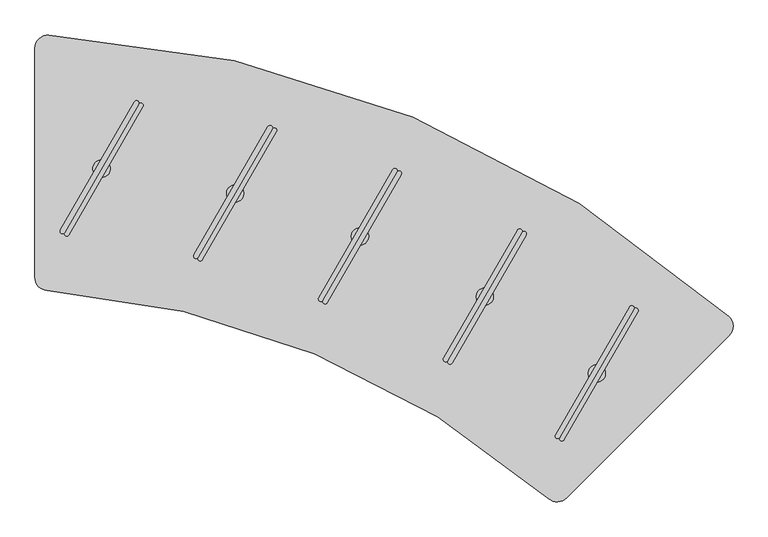
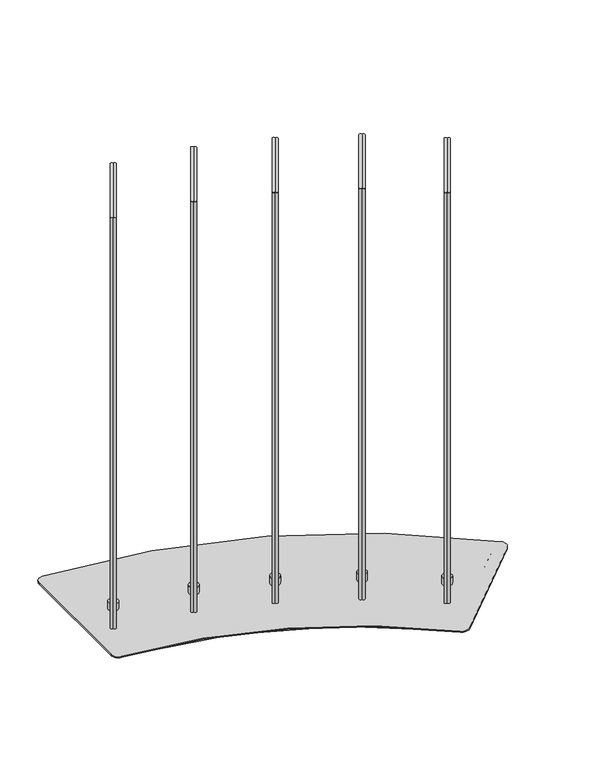
"""IFC4 building model written with IfcOpenShell, lengths in millimetres: furniture geometry."""

from ifc_helpers import new_model, si_unit, point, frame, frame_2d, origin, place, context, project, spatial, polyline, circle_curve, trimmed, segment, composite_curve, outline, extrude, source, transform, mapped, element, save
from ifc_brep_helpers import plane_surface, cylinder_surface, advanced_brep


def furniture_75014b2b(model_context):
    return source(origin(), model_context, "Body", "SolidModel", [
        extrude(outline(composite_curve([segment(trimmed(circle_curve(frame_2d((-419.4960741, 167.4557313)), 19.05), [point((-438.5460741, 167.4557313))], [point((-418.1073044, 186.4550423))], False, "CARTESIAN"), True, "CONTINUOUS"), segment(trimmed(circle_curve(frame_2d((-531.7750957, -1368.5974254)), 1559.2012519), [point((-418.1073044, 186.4550423))], [point((487.4377356, -188.6339732))], False, "CARTESIAN"), True, "CONTINUOUS"), segment(trimmed(circle_curve(frame_2d((474.9852029, -203.0505238)), 19.05), [point((487.4377356, -188.6339732))], [point((488.4555858, -216.5209092))], False, "CARTESIAN"), True, "CONTINUOUS"), segment(polyline([(488.4555858, -216.5209092), (295.9646299, -409.0118286)]), True, "CONTINUOUS"), segment(trimmed(circle_curve(frame_2d((282.494247, -395.5414431)), 19.05), [point((295.9646299, -409.0118286))], [point((270.2667118, -410.1493138))], False, "CARTESIAN"), True, "CONTINUOUS"), segment(trimmed(circle_curve(frame_2d((-531.5515125, -1368.0575729)), 1249.2000231), [point((270.2667118, -410.1493138))], [point((-421.179225, -123.7430403))], True, "CARTESIAN"), True, "CONTINUOUS"), segment(trimmed(circle_curve(frame_2d((-419.4960741, -104.7675429)), 19.05), [point((-421.179225, -123.7430403))], [point((-438.5460741, -104.7675429))], False, "CARTESIAN"), True, "CONTINUOUS"), segment(polyline([(-438.5460741, -104.7675429), (-438.5460741, 167.4557313)]), True, "CONTINUOUS")], self_intersect=False)), frame((0.0, 0.0, 36.322), z_axis=(0.0, 0.0, 1.0), x_axis=(1.0, 0.0, 0.0)), (0.0, 0.0, 1.0), 20.6756),
        extrude(outline(composite_curve([segment(polyline([(-468.5460736, -131.1224266), (-468.5460736, 199.3418668)]), True, "CONTINUOUS"), segment(trimmed(circle_curve(frame_2d((-449.4960736, 199.3418668)), 19.05), [point((-468.5460736, 199.3418668))], [point((-448.5014738, 218.3658851))], False, "CARTESIAN"), True, "CONTINUOUS"), segment(trimmed(circle_curve(frame_2d((-531.4274371, -1367.784621)), 1588.3167642), [point((-448.5014738, 218.3658851))], [point((531.4986436, -187.5565539))], False, "CARTESIAN"), True, "CONTINUOUS"), segment(trimmed(circle_curve(frame_2d((518.7500897, -201.7120078)), 19.05), [point((531.4986436, -187.5565539))], [point((532.220476, -215.1823899))], False, "CARTESIAN"), True, "CONTINUOUS"), segment(polyline([(532.220476, -215.1823899), (297.882893, -449.5200458)]), True, "CONTINUOUS"), segment(trimmed(circle_curve(frame_2d((284.4125067, -436.0496637)), 19.05), [point((297.882893, -449.5200458))], [point((271.9304226, -450.4406358))], False, "CARTESIAN"), True, "CONTINUOUS"), segment(trimmed(circle_curve(frame_2d((-541.5381758, -1388.3131727)), 1241.5055603), [point((271.9304226, -450.4406358))], [point((-450.8870492, -150.1215762))], True, "CARTESIAN"), True, "CONTINUOUS"), segment(trimmed(circle_curve(frame_2d((-449.4960736, -131.1224266)), 19.05), [point((-450.8870492, -150.1215762))], [point((-468.5460736, -131.1224266))], False, "CARTESIAN"), True, "CONTINUOUS")], self_intersect=False)), frame((0.0, 0.0, 56.9976), z_axis=(0.0, 0.0, 1.0), x_axis=(1.0, 0.0, 0.0)), (0.0, 0.0, 1.0), 2.9999986),
        extrude(outline(composite_curve([segment(polyline([(281.9295904, -358.8077226), (388.5875108, -174.0707853)]), True, "CONTINUOUS"), segment(trimmed(circle_curve(frame_2d((391.6185291, -175.8207445)), 3.4999184), [point((388.5875108, -174.0707853))], [point((394.6495473, -177.5707037))], False, "CARTESIAN"), True, "CONTINUOUS"), segment(polyline([(394.6495473, -177.5707037), (287.9916269, -362.3076409)]), True, "CONTINUOUS"), segment(trimmed(circle_curve(frame_2d((284.9606086, -360.5576818)), 3.4999184), [point((287.9916269, -362.3076409))], [point((281.9295904, -358.8077226))], False, "CARTESIAN"), True, "CONTINUOUS")], self_intersect=False)), frame((0.0, 0.0, 80.7339983), z_axis=(0.0, 0.0, 1.0), x_axis=(1.0, 0.0, 0.0)), (0.0, 0.0, 1.0), 1150.112),
        extrude(outline(composite_curve([segment(trimmed(circle_curve(frame_2d((291.0226451, -364.0576001)), 3.4999184), [point((294.0536633, -365.8075593))], [point((287.9916269, -362.3076409))], False, "CARTESIAN"), True, "CONTINUOUS"), segment(polyline([(287.9916269, -362.3076409), (394.6495473, -177.5707037)]), True, "CONTINUOUS"), segment(trimmed(circle_curve(frame_2d((397.6805655, -179.3206629)), 3.4999184), [point((394.6495473, -177.5707037))], [point((400.7115838, -181.0706221))], False, "CARTESIAN"), True, "CONTINUOUS"), segment(polyline([(400.7115838, -181.0706221), (294.0536633, -365.8075593)]), True, "CONTINUOUS")], self_intersect=False)), frame((0.0, 0.0, 80.7339983), z_axis=(0.0, 0.0, 1.0), x_axis=(1.0, 0.0, 0.0)), (0.0, 0.0, 1.0), 1150.112),
        advanced_brep(
        [(341.3143001, -282.4358914, 80.7339983), (341.3143001, -257.4397564, 80.7339983), (341.3143001, -257.4397564, 59.9975986), (341.3143001, -282.4358914, 59.9975986), (341.3143001, -269.9378239, 80.7339983), (341.3143001, -269.9378239, 59.9975986)],
        [
            (0, 1, circle_curve(frame((341.3143001, -269.9378239, 80.7339983), z_axis=(0.0, 0.0, -1.0), x_axis=(0.0, 1.0, 0.0)), 12.4980675)),
            (1, 2),
            (2, 3, circle_curve(frame((341.3143001, -269.9378239, 59.9975986), z_axis=(0.0, 0.0, 1.0), x_axis=(0.0, 1.0, 0.0)), 12.4980675)),
            (3, 0),
            (4, 1),
            (0, 4),
            (0, 1, circle_curve(frame((341.3143001, -269.9378239, 80.7339983), z_axis=(0.0, 0.0, 1.0), x_axis=(0.0, 1.0, 0.0)), 12.4980675)),
            (2, 5),
            (5, 3),
            (2, 3, circle_curve(frame((341.3143001, -269.9378239, 59.9975986), z_axis=(0.0, 0.0, -1.0), x_axis=(0.0, 1.0, 0.0)), 12.4980675)),
        ],
        [
            cylinder_surface(frame((341.3143001, -269.9378239, 88.2747758), z_axis=(0.0, 0.0, 1.0), x_axis=(0.0, 1.0, 0.0)), 12.4980675),
            plane_surface(frame((341.3143001, -269.9378239, 80.7339983), z_axis=(0.0, 0.0, 1.0), x_axis=(0.0, 1.0, 0.0))),
            plane_surface(frame((341.3143001, -269.9378239, 59.9975986), z_axis=(0.0, 0.0, -1.0), x_axis=(0.0, 1.0, 0.0))),
        ],
        [
            (0, [[1, 2, 3, 4]]),
            (1, [[5, -1, 6]]),
            (1, [[-6, 7, -5]]),
            (2, [[-3, 8, 9]]),
            (2, [[10, -9, -8]]),
            (0, [[-7, -4, -10, -2]]),
        ],
    ),
        extrude(outline(composite_curve([segment(polyline([(120.6262821, -248.0135769), (227.2842025, -63.2766396)]), True, "CONTINUOUS"), segment(trimmed(circle_curve(frame_2d((230.3152208, -65.0265988)), 3.4999184), [point((227.2842025, -63.2766396))], [point((233.346239, -66.776558))], False, "CARTESIAN"), True, "CONTINUOUS"), segment(polyline([(233.346239, -66.776558), (126.6883186, -251.5134953)]), True, "CONTINUOUS"), segment(trimmed(circle_curve(frame_2d((123.6573003, -249.7635361)), 3.4999184), [point((126.6883186, -251.5134953))], [point((120.6262821, -248.0135769))], False, "CARTESIAN"), True, "CONTINUOUS")], self_intersect=False)), frame((0.0, 0.0, 80.7339983), z_axis=(0.0, 0.0, 1.0), x_axis=(1.0, 0.0, 0.0)), (0.0, 0.0, 1.0), 1150.112),
        extrude(outline(composite_curve([segment(trimmed(circle_curve(frame_2d((129.7193368, -253.2634545)), 3.4999184), [point((132.750355, -255.0134136))], [point((126.6883186, -251.5134953))], False, "CARTESIAN"), True, "CONTINUOUS"), segment(polyline([(126.6883186, -251.5134953), (233.346239, -66.776558)]), True, "CONTINUOUS"), segment(trimmed(circle_curve(frame_2d((236.3772572, -68.5265172)), 3.4999184), [point((233.346239, -66.776558))], [point((239.4082755, -70.2764764))], False, "CARTESIAN"), True, "CONTINUOUS"), segment(polyline([(239.4082755, -70.2764764), (132.750355, -255.0134136)]), True, "CONTINUOUS")], self_intersect=False)), frame((0.0, 0.0, 80.7339983), z_axis=(0.0, 0.0, 1.0), x_axis=(1.0, 0.0, 0.0)), (0.0, 0.0, 1.0), 1150.112),
        advanced_brep(
        [(180.0109918, -171.6417458, 80.7339983), (180.0109918, -146.6456107, 80.7339983), (180.0109918, -146.6456107, 59.9975986), (180.0109918, -171.6417458, 59.9975986), (180.0109918, -159.1436782, 80.7339983), (180.0109918, -159.1436782, 59.9975986)],
        [
            (0, 1, circle_curve(frame((180.0109918, -159.1436782, 80.7339983), z_axis=(0.0, 0.0, -1.0), x_axis=(0.0, 1.0, 0.0)), 12.4980675)),
            (1, 2),
            (2, 3, circle_curve(frame((180.0109918, -159.1436782, 59.9975986), z_axis=(0.0, 0.0, 1.0), x_axis=(0.0, 1.0, 0.0)), 12.4980675)),
            (3, 0),
            (4, 1),
            (0, 4),
            (0, 1, circle_curve(frame((180.0109918, -159.1436782, 80.7339983), z_axis=(0.0, 0.0, 1.0), x_axis=(0.0, 1.0, 0.0)), 12.4980675)),
            (2, 5),
            (5, 3),
            (2, 3, circle_curve(frame((180.0109918, -159.1436782, 59.9975986), z_axis=(0.0, 0.0, -1.0), x_axis=(0.0, 1.0, 0.0)), 12.4980675)),
        ],
        [
            cylinder_surface(frame((180.0109918, -159.1436782, 88.2747758), z_axis=(0.0, 0.0, 1.0), x_axis=(0.0, 1.0, 0.0)), 12.4980675),
            plane_surface(frame((180.0109918, -159.1436782, 80.7339983), z_axis=(0.0, 0.0, 1.0), x_axis=(0.0, 1.0, 0.0))),
            plane_surface(frame((180.0109918, -159.1436782, 59.9975986), z_axis=(0.0, 0.0, -1.0), x_axis=(0.0, 1.0, 0.0))),
        ],
        [
            (0, [[1, 2, 3, 4]]),
            (1, [[5, -1, 6]]),
            (1, [[-6, 7, -5]]),
            (2, [[-3, 8, 9]]),
            (2, [[10, -9, -8]]),
            (0, [[-7, -4, -10, -2]]),
        ],
    ),
        extrude(outline(composite_curve([segment(polyline([(-431.8141073, -63.1613971), (-325.1561869, 121.5755401)]), True, "CONTINUOUS"), segment(trimmed(circle_curve(frame_2d((-322.1251686, 119.8255809)), 3.4999184), [point((-325.1561869, 121.5755401))], [point((-319.0941504, 118.0756217))], False, "CARTESIAN"), True, "CONTINUOUS"), segment(polyline([(-319.0941504, 118.0756217), (-425.7520708, -66.6613155)]), True, "CONTINUOUS"), segment(trimmed(circle_curve(frame_2d((-428.7830891, -64.9113563)), 3.4999184), [point((-425.7520708, -66.6613155))], [point((-431.8141073, -63.1613971))], False, "CARTESIAN"), True, "CONTINUOUS")], self_intersect=False)), frame((0.0, 0.0, 80.7339983), z_axis=(0.0, 0.0, 1.0), x_axis=(1.0, 0.0, 0.0)), (0.0, 0.0, 1.0), 1150.112),
        extrude(outline(composite_curve([segment(trimmed(circle_curve(frame_2d((-422.7210526, -68.4112747)), 3.4999184), [point((-419.6900344, -70.1612339))], [point((-425.7520708, -66.6613155))], False, "CARTESIAN"), True, "CONTINUOUS"), segment(polyline([(-425.7520708, -66.6613155), (-319.0941504, 118.0756217)]), True, "CONTINUOUS"), segment(trimmed(circle_curve(frame_2d((-316.0631322, 116.3256625)), 3.4999184), [point((-319.0941504, 118.0756217))], [point((-313.0321139, 114.5757034))], False, "CARTESIAN"), True, "CONTINUOUS"), segment(polyline([(-313.0321139, 114.5757034), (-419.6900344, -70.1612339)]), True, "CONTINUOUS")], self_intersect=False)), frame((0.0, 0.0, 80.7339983), z_axis=(0.0, 0.0, 1.0), x_axis=(1.0, 0.0, 0.0)), (0.0, 0.0, 1.0), 1150.112),
        advanced_brep(
        [(-372.4293976, 13.210434, 80.7339983), (-372.4293976, 38.2065691, 80.7339983), (-372.4293976, 38.2065691, 59.9975986), (-372.4293976, 13.210434, 59.9975986), (-372.4293976, 25.7085015, 80.7339983), (-372.4293976, 25.7085015, 59.9975986)],
        [
            (0, 1, circle_curve(frame((-372.4293976, 25.7085015, 80.7339983), z_axis=(0.0, 0.0, -1.0), x_axis=(0.0, 1.0, 0.0)), 12.4980675)),
            (1, 2),
            (2, 3, circle_curve(frame((-372.4293976, 25.7085015, 59.9975986), z_axis=(0.0, 0.0, 1.0), x_axis=(0.0, 1.0, 0.0)), 12.4980675)),
            (3, 0),
            (4, 1),
            (0, 4),
            (0, 1, circle_curve(frame((-372.4293976, 25.7085015, 80.7339983), z_axis=(0.0, 0.0, 1.0), x_axis=(0.0, 1.0, 0.0)), 12.4980675)),
            (2, 5),
            (5, 3),
            (2, 3, circle_curve(frame((-372.4293976, 25.7085015, 59.9975986), z_axis=(0.0, 0.0, -1.0), x_axis=(0.0, 1.0, 0.0)), 12.4980675)),
        ],
        [
            cylinder_surface(frame((-372.4293976, 25.7085015, 88.2747758), z_axis=(0.0, 0.0, 1.0), x_axis=(0.0, 1.0, 0.0)), 12.4980675),
            plane_surface(frame((-372.4293976, 25.7085015, 80.7339983), z_axis=(0.0, 0.0, 1.0), x_axis=(0.0, 1.0, 0.0))),
            plane_surface(frame((-372.4293976, 25.7085015, 59.9975986), z_axis=(0.0, 0.0, -1.0), x_axis=(0.0, 1.0, 0.0))),
        ],
        [
            (0, [[1, 2, 3, 4]]),
            (1, [[5, -1, 6]]),
            (1, [[-6, 7, -5]]),
            (2, [[-3, 8, 9]]),
            (2, [[10, -9, -8]]),
            (0, [[-7, -4, -10, -2]]),
        ],
    ),
        extrude(outline(composite_curve([segment(polyline([(-59.3847097, -160.9427833), (47.2732107, 23.7941539)]), True, "CONTINUOUS"), segment(trimmed(circle_curve(frame_2d((50.3042289, 22.0441947)), 3.4999184), [point((47.2732107, 23.7941539))], [point((53.3352472, 20.2942356))], False, "CARTESIAN"), True, "CONTINUOUS"), segment(polyline([(53.3352472, 20.2942356), (-53.3226733, -164.4427017)]), True, "CONTINUOUS"), segment(trimmed(circle_curve(frame_2d((-56.3536915, -162.6927425)), 3.4999184), [point((-53.3226733, -164.4427017))], [point((-59.3847097, -160.9427833))], False, "CARTESIAN"), True, "CONTINUOUS")], self_intersect=False)), frame((0.0, 0.0, 80.7339983), z_axis=(0.0, 0.0, 1.0), x_axis=(1.0, 0.0, 0.0)), (0.0, 0.0, 1.0), 1150.112),
        extrude(outline(composite_curve([segment(trimmed(circle_curve(frame_2d((-50.291655, -166.1926609)), 3.4999184), [point((-47.2606368, -167.9426201))], [point((-53.3226733, -164.4427017))], False, "CARTESIAN"), True, "CONTINUOUS"), segment(polyline([(-53.3226733, -164.4427017), (53.3352472, 20.2942356)]), True, "CONTINUOUS"), segment(trimmed(circle_curve(frame_2d((56.3662654, 18.5442764)), 3.4999184), [point((53.3352472, 20.2942356))], [point((59.3972836, 16.7943172))], False, "CARTESIAN"), True, "CONTINUOUS"), segment(polyline([(59.3972836, 16.7943172), (-47.2606368, -167.9426201)]), True, "CONTINUOUS")], self_intersect=False)), frame((0.0, 0.0, 80.7339983), z_axis=(0.0, 0.0, 1.0), x_axis=(1.0, 0.0, 0.0)), (0.0, 0.0, 1.0), 1150.112),
        advanced_brep(
        [(0.0, -84.5709522, 80.7339983), (0.0, -59.5748171, 80.7339983), (0.0, -59.5748171, 59.9975986), (0.0, -84.5709522, 59.9975986), (0.0, -72.0728847, 80.7339983), (0.0, -72.0728847, 59.9975986)],
        [
            (0, 1, circle_curve(frame((0.0, -72.0728847, 80.7339983), z_axis=(0.0, 0.0, -1.0), x_axis=(0.0, 1.0, 0.0)), 12.4980675)),
            (1, 2),
            (2, 3, circle_curve(frame((0.0, -72.0728847, 59.9975986), z_axis=(0.0, 0.0, 1.0), x_axis=(0.0, 1.0, 0.0)), 12.4980675)),
            (3, 0),
            (4, 1),
            (0, 4),
            (0, 1, circle_curve(frame((0.0, -72.0728847, 80.7339983), z_axis=(0.0, 0.0, 1.0), x_axis=(0.0, 1.0, 0.0)), 12.4980675)),
            (2, 5),
            (5, 3),
            (2, 3, circle_curve(frame((0.0, -72.0728847, 59.9975986), z_axis=(0.0, 0.0, -1.0), x_axis=(0.0, 1.0, 0.0)), 12.4980675)),
        ],
        [
            cylinder_surface(frame((0.0, -72.0728847, 88.2747758), z_axis=(0.0, 0.0, 1.0), x_axis=(0.0, 1.0, 0.0)), 12.4980675),
            plane_surface(frame((0.0, -72.0728847, 80.7339983), z_axis=(0.0, 0.0, 1.0), x_axis=(0.0, 1.0, 0.0))),
            plane_surface(frame((0.0, -72.0728847, 59.9975986), z_axis=(0.0, 0.0, -1.0), x_axis=(0.0, 1.0, 0.0))),
        ],
        [
            (0, [[1, 2, 3, 4]]),
            (1, [[5, -1, 6]]),
            (1, [[-6, 7, -5]]),
            (2, [[-3, 8, 9]]),
            (2, [[10, -9, -8]]),
            (0, [[-7, -4, -10, -2]]),
        ],
    ),
        extrude(outline(composite_curve([segment(polyline([(-239.2449022, -98.9500193), (-132.5869818, 85.7869179)]), True, "CONTINUOUS"), segment(trimmed(circle_curve(frame_2d((-129.5559635, 84.0369587)), 3.4999184), [point((-132.5869818, 85.7869179))], [point((-126.5249453, 82.2869996))], False, "CARTESIAN"), True, "CONTINUOUS"), segment(polyline([(-126.5249453, 82.2869996), (-233.1828657, -102.4499377)]), True, "CONTINUOUS"), segment(trimmed(circle_curve(frame_2d((-236.213884, -100.6999785)), 3.4999184), [point((-233.1828657, -102.4499377))], [point((-239.2449022, -98.9500193))], False, "CARTESIAN"), True, "CONTINUOUS")], self_intersect=False)), frame((0.0, 0.0, 80.7339983), z_axis=(0.0, 0.0, 1.0), x_axis=(1.0, 0.0, 0.0)), (0.0, 0.0, 1.0), 1150.112),
        extrude(outline(composite_curve([segment(trimmed(circle_curve(frame_2d((-230.1518475, -104.1998969)), 3.4999184), [point((-227.1208293, -105.9498561))], [point((-233.1828657, -102.4499377))], False, "CARTESIAN"), True, "CONTINUOUS"), segment(polyline([(-233.1828657, -102.4499377), (-126.5249453, 82.2869996)]), True, "CONTINUOUS"), segment(trimmed(circle_curve(frame_2d((-123.4939271, 80.5370404)), 3.4999184), [point((-126.5249453, 82.2869996))], [point((-120.4629088, 78.7870812))], False, "CARTESIAN"), True, "CONTINUOUS"), segment(polyline([(-120.4629088, 78.7870812), (-227.1208293, -105.9498561)]), True, "CONTINUOUS")], self_intersect=False)), frame((0.0, 0.0, 80.7339983), z_axis=(0.0, 0.0, 1.0), x_axis=(1.0, 0.0, 0.0)), (0.0, 0.0, 1.0), 1150.112),
        advanced_brep(
        [(-179.8601925, -22.5781882, 80.7339983), (-179.8601925, 2.4179469, 80.7339983), (-179.8601925, 2.4179469, 59.9975986), (-179.8601925, -22.5781882, 59.9975986), (-179.8601925, -10.0801207, 80.7339983), (-179.8601925, -10.0801207, 59.9975986)],
        [
            (0, 1, circle_curve(frame((-179.8601925, -10.0801207, 80.7339983), z_axis=(0.0, 0.0, -1.0), x_axis=(0.0, 1.0, 0.0)), 12.4980675)),
            (1, 2),
            (2, 3, circle_curve(frame((-179.8601925, -10.0801207, 59.9975986), z_axis=(0.0, 0.0, 1.0), x_axis=(0.0, 1.0, 0.0)), 12.4980675)),
            (3, 0),
            (4, 1),
            (0, 4),
            (0, 1, circle_curve(frame((-179.8601925, -10.0801207, 80.7339983), z_axis=(0.0, 0.0, 1.0), x_axis=(0.0, 1.0, 0.0)), 12.4980675)),
            (2, 5),
            (5, 3),
            (2, 3, circle_curve(frame((-179.8601925, -10.0801207, 59.9975986), z_axis=(0.0, 0.0, -1.0), x_axis=(0.0, 1.0, 0.0)), 12.4980675)),
        ],
        [
            cylinder_surface(frame((-179.8601925, -10.0801207, 88.2747758), z_axis=(0.0, 0.0, 1.0), x_axis=(0.0, 1.0, 0.0)), 12.4980675),
            plane_surface(frame((-179.8601925, -10.0801207, 80.7339983), z_axis=(0.0, 0.0, 1.0), x_axis=(0.0, 1.0, 0.0))),
            plane_surface(frame((-179.8601925, -10.0801207, 59.9975986), z_axis=(0.0, 0.0, -1.0), x_axis=(0.0, 1.0, 0.0))),
        ],
        [
            (0, [[1, 2, 3, 4]]),
            (1, [[5, -1, 6]]),
            (1, [[-6, 7, -5]]),
            (2, [[-3, 8, 9]]),
            (2, [[10, -9, -8]]),
            (0, [[-7, -4, -10, -2]]),
        ],
    ),
    ])


if __name__ == "__main__":
    model = new_model("IFC4")
    model_context = context("Model", 3, world=origin())
    ifc_project = project(units=[si_unit("LENGTHUNIT", "METRE", prefix="MILLI")], contexts=[model_context])
    site = spatial("IfcSite", under=ifc_project)
    building = spatial("IfcBuilding", under=site)
    placement = place(None, origin())
    furniture_shape = furniture_75014b2b(model_context)
    element("IfcFurniture", 1, at=placement, inside=building, context=model_context, shape_type="MappedRepresentation", body=[
        mapped(furniture_shape, transform((0.0, 0.0, 0.0), x_axis=(1.0, 0.0, 0.0), y_axis=(0.0, 1.0, 0.0), z_axis=(0.0, 0.0, 1.0))),
    ])
    save(model, "model.ifc")
